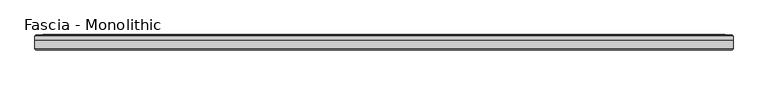
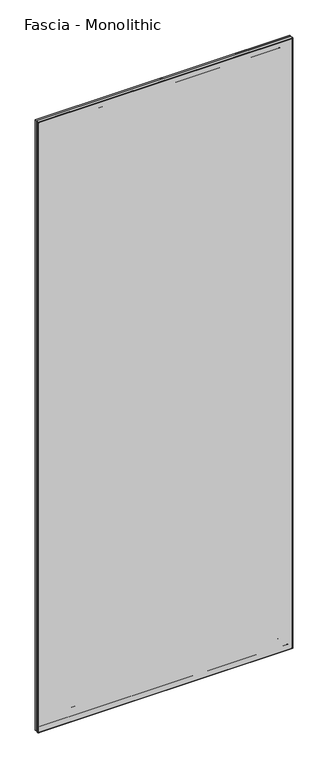
"""IFC4 building model written with IfcOpenShell, lengths in millimetres: proxy geometry, Fascia - Monolithic."""

from ifc_helpers import new_model, si_unit, frame, origin, place, context, project, spatial, ellipse_curve, source, transform, mapped, element, save
from ifc_brep_helpers import plane_surface, cylinder_surface, advanced_brep


def fascia_monolithic_453be313(model_context):
    return source(origin(), model_context, "Body", "AdvancedBrep", [
        advanced_brep(
        [(-545.3950914, 15.8650077, 46.2434077), (545.3950914, 15.8650077, 46.2434077), (545.6644991, 16.7386, 45.974), (-545.6644991, 16.7386, 45.974), (-546.5689068, 14.6911923, 45.0695923), (546.5689068, 14.6911923, 45.0695923), (-539.4823068, 15.8650077, 52.1561923), (539.4823068, 15.8650077, 52.1561923), (538.3084914, 14.6911923, 53.3300077), (-538.3084914, 14.6911923, 53.3300077), (-539.2128991, 16.7386, 52.4256), (539.2128991, 16.7386, 52.4256), (-522.9314991, 15.5956, 68.707), (522.9314991, 15.5956, 68.707), (523.6934991, 16.7386, 67.945), (-523.6934991, 16.7386, 67.945), (-510.6124991, 8.4836, 81.026), (510.6124991, 8.4836, 81.026), (510.6124991, 15.5956, 81.026), (-510.6124991, 15.5956, 81.026), (-591.6384991, 15.2146, 0.0), (591.6384991, 15.2146, 0.0), (591.6384991, 8.4836, 0.0), (-591.6384991, 8.4836, 0.0), (-590.1144991, 16.7386, 1.524), (590.1144991, 16.7386, 1.524), (-588.0670914, 15.8650077, 3.5714077), (588.0670914, 15.8650077, 3.5714077), (588.3364991, 16.7386, 3.302), (-588.3364991, 16.7386, 3.302), (-589.2409068, 14.6911923, 2.3975923), (589.2409068, 14.6911923, 2.3975923), (-582.1543068, 15.8650077, 9.4841923), (582.1543068, 15.8650077, 9.4841923), (580.9804914, 14.6911923, 10.6580077), (-580.9804914, 14.6911923, 10.6580077), (-581.8848991, 16.7386, 9.7536), (581.8848991, 16.7386, 9.7536), (-576.9953991, 16.7386, 14.6431), (576.9953991, 16.7386, 14.6431), (578.5193991, 16.7386, 13.1191), (-578.5193991, 16.7386, 13.1191), (-571.0263991, 16.7386, 20.6121), (571.0263991, 16.7386, 20.6121), (573.4393991, 16.7386, 18.1991), (-573.4393991, 16.7386, 18.1991), (545.3950914, 15.8650077, 2946.4799923), (545.6644991, 16.7386, 2946.7494), (546.5689068, 14.6911923, 2947.6538077), (539.4823068, 15.8650077, 2940.5672077), (538.3084914, 14.6911923, 2939.3933923), (539.2128991, 16.7386, 2940.2978), (522.9314991, 15.5956, 2924.0164), (523.6934991, 16.7386, 2924.7784), (510.6124991, 8.4836, 2911.6974), (510.6124991, 15.5956, 2911.6974), (591.6384991, 15.2146, 2992.7234), (591.6384991, 8.4836, 2992.7234), (590.1144991, 16.7386, 2991.1994), (588.0670914, 15.8650077, 2989.1519923), (588.3364991, 16.7386, 2989.4214), (589.2409068, 14.6911923, 2990.3258077), (582.1543068, 15.8650077, 2983.2392077), (580.9804914, 14.6911923, 2982.0653923), (581.8848991, 16.7386, 2982.9698), (576.9953991, 16.7386, 2978.0803), (578.5193991, 16.7386, 2979.6043), (571.0263991, 16.7386, 2972.1113), (573.4393991, 16.7386, 2974.5243), (-545.3950914, 15.8650077, 2946.4799923), (-545.6644991, 16.7386, 2946.7494), (-546.5689068, 14.6911923, 2947.6538077), (-539.4823068, 15.8650077, 2940.5672077), (-538.3084914, 14.6911923, 2939.3933923), (-539.2128991, 16.7386, 2940.2978), (-522.9314991, 15.5956, 2924.0164), (-523.6934991, 16.7386, 2924.7784), (-510.6124991, 8.4836, 2911.6974), (-510.6124991, 15.5956, 2911.6974), (-591.6384991, 15.2146, 2992.7234), (-591.6384991, 8.4836, 2992.7234), (-590.1144991, 16.7386, 2991.1994), (-588.0670914, 15.8650077, 2989.1519923), (-588.3364991, 16.7386, 2989.4214), (-589.2409068, 14.6911923, 2990.3258077), (-582.1543068, 15.8650077, 2983.2392077), (-580.9804914, 14.6911923, 2982.0653923), (-581.8848991, 16.7386, 2982.9698), (-576.9953991, 16.7386, 2978.0803), (-578.5193991, 16.7386, 2979.6043), (-571.0263991, 16.7386, 2972.1113), (-573.4393991, 16.7386, 2974.5243)],
        [
            (0, 1),
            (1, 2, ellipse_curve(frame((545.7606837, 16.2306, 45.8778154), z_axis=(-0.7071067811865475, 0.0, -0.7071067811865475), x_axis=(-0.7071067811865476, 0.0, 0.7071067811865474)), 0.7311846, 0.5170256)),
            (2, 3),
            (3, 0, ellipse_curve(frame((-545.7606837, 16.2306, 45.8778154), z_axis=(0.7071067811865475, 0.0, -0.7071067811865475), x_axis=(-0.7071067811865476, 0.0, -0.7071067811865474)), 0.7311846, 0.5170256)),
            (4, 5),
            (5, 1),
            (0, 4),
            (6, 7),
            (7, 8),
            (8, 9),
            (9, 6),
            (10, 11),
            (11, 7, ellipse_curve(frame((539.1167145, 16.2306, 52.5217846), z_axis=(-0.7071067811865475, 0.0, -0.7071067811865475), x_axis=(-0.7071067811865476, 0.0, 0.7071067811865474)), 0.7311846, 0.5170256)),
            (6, 10, ellipse_curve(frame((-539.1167145, 16.2306, 52.5217846), z_axis=(0.7071067811865475, 0.0, -0.7071067811865475), x_axis=(-0.7071067811865476, 0.0, -0.7071067811865474)), 0.7311846, 0.5170256)),
            (12, 13),
            (13, 14),
            (14, 15),
            (15, 12),
            (16, 17),
            (17, 18),
            (18, 19),
            (19, 16),
            (20, 21),
            (21, 22),
            (22, 23),
            (23, 20),
            (24, 25),
            (25, 21),
            (20, 24),
            (26, 27),
            (27, 28, ellipse_curve(frame((588.4326837, 16.2306, 3.2058154), z_axis=(-0.7071067811865475, 0.0, -0.7071067811865475), x_axis=(-0.7071067811865476, 0.0, 0.7071067811865474)), 0.7311846, 0.5170256)),
            (28, 29),
            (29, 26, ellipse_curve(frame((-588.4326837, 16.2306, 3.2058154), z_axis=(0.7071067811865475, 0.0, -0.7071067811865475), x_axis=(-0.7071067811865476, 0.0, -0.7071067811865474)), 0.7311846, 0.5170256)),
            (30, 31),
            (31, 27),
            (26, 30),
            (32, 33),
            (33, 34),
            (34, 35),
            (35, 32),
            (36, 37),
            (37, 33, ellipse_curve(frame((581.7887145, 16.2306, 9.8497846), z_axis=(-0.7071067811865475, 0.0, -0.7071067811865475), x_axis=(-0.7071067811865476, 0.0, 0.7071067811865474)), 0.7311846, 0.5170256)),
            (32, 36, ellipse_curve(frame((-581.7887145, 16.2306, 9.8497846), z_axis=(0.7071067811865475, 0.0, -0.7071067811865475), x_axis=(-0.7071067811865476, 0.0, -0.7071067811865474)), 0.7311846, 0.5170256)),
            (38, 39),
            (39, 40, ellipse_curve(frame((577.7573991, 16.7386, 13.8811), z_axis=(-0.7071067811865475, 0.0, -0.7071067811865475), x_axis=(-0.7071067811865476, 0.0, 0.7071067811865474)), 1.0776307, 0.762)),
            (40, 41),
            (41, 38, ellipse_curve(frame((-577.7573991, 16.7386, 13.8811), z_axis=(0.7071067811865475, 0.0, -0.7071067811865475), x_axis=(-0.7071067811865476, 0.0, -0.7071067811865474)), 1.0776307, 0.762)),
            (42, 43),
            (43, 44, ellipse_curve(frame((572.2328991, 16.0202269, 19.4056), z_axis=(-0.7071067811865475, 0.0, -0.7071067811865475), x_axis=(-0.7071067811865476, 0.0, 0.7071067811865474)), 1.9858007, 1.4041731)),
            (44, 45),
            (45, 42, ellipse_curve(frame((-572.2328991, 16.0202269, 19.4056), z_axis=(0.7071067811865475, 0.0, -0.7071067811865475), x_axis=(-0.7071067811865476, 0.0, -0.7071067811865474)), 1.9858007, 1.4041731)),
            (1, 46),
            (46, 47, ellipse_curve(frame((545.7606837, 16.2306, 2946.8455846), z_axis=(0.7071067811865475, 0.0, -0.7071067811865475), x_axis=(-0.7071067811865474, 0.0, -0.7071067811865476)), 0.7311846, 0.5170256)),
            (47, 2),
            (5, 48),
            (48, 46),
            (7, 49),
            (49, 50),
            (50, 8),
            (11, 51),
            (51, 49, ellipse_curve(frame((539.1167145, 16.2306, 2940.2016154), z_axis=(0.7071067811865475, 0.0, -0.7071067811865475), x_axis=(-0.7071067811865474, 0.0, -0.7071067811865476)), 0.7311846, 0.5170256)),
            (13, 52),
            (52, 53),
            (53, 14),
            (17, 54),
            (54, 55),
            (55, 18),
            (21, 56),
            (56, 57),
            (57, 22),
            (25, 58),
            (58, 56),
            (27, 59),
            (59, 60, ellipse_curve(frame((588.4326837, 16.2306, 2989.5175846), z_axis=(0.7071067811865475, 0.0, -0.7071067811865475), x_axis=(-0.7071067811865474, 0.0, -0.7071067811865476)), 0.7311846, 0.5170256)),
            (60, 28),
            (31, 61),
            (61, 59),
            (33, 62),
            (62, 63),
            (63, 34),
            (37, 64),
            (64, 62, ellipse_curve(frame((581.7887145, 16.2306, 2982.8736154), z_axis=(0.7071067811865475, 0.0, -0.7071067811865475), x_axis=(-0.7071067811865474, 0.0, -0.7071067811865476)), 0.7311846, 0.5170256)),
            (39, 65),
            (65, 66, ellipse_curve(frame((577.7573991, 16.7386, 2978.8423), z_axis=(0.7071067811865475, 0.0, -0.7071067811865475), x_axis=(-0.7071067811865474, 0.0, -0.7071067811865476)), 1.0776307, 0.762)),
            (66, 40),
            (43, 67),
            (67, 68, ellipse_curve(frame((572.2328991, 16.0202269, 2973.3178), z_axis=(0.7071067811865475, 0.0, -0.7071067811865475), x_axis=(-0.7071067811865474, 0.0, -0.7071067811865476)), 1.9858007, 1.4041731)),
            (68, 44),
            (46, 69),
            (69, 70, ellipse_curve(frame((-545.7606837, 16.2306, 2946.8455846), z_axis=(0.7071067811865475, 0.0, 0.7071067811865475), x_axis=(0.7071067811865476, 0.0, -0.7071067811865474)), 0.7311846, 0.5170256)),
            (70, 47),
            (48, 71),
            (71, 69),
            (49, 72),
            (72, 73),
            (73, 50),
            (51, 74),
            (74, 72, ellipse_curve(frame((-539.1167145, 16.2306, 2940.2016154), z_axis=(0.7071067811865475, 0.0, 0.7071067811865475), x_axis=(0.7071067811865476, 0.0, -0.7071067811865474)), 0.7311846, 0.5170256)),
            (52, 75),
            (75, 76),
            (76, 53),
            (54, 77),
            (77, 78),
            (78, 55),
            (56, 79),
            (79, 80),
            (80, 57),
            (58, 81),
            (81, 79),
            (59, 82),
            (82, 83, ellipse_curve(frame((-588.4326837, 16.2306, 2989.5175846), z_axis=(0.7071067811865475, 0.0, 0.7071067811865475), x_axis=(0.7071067811865476, 0.0, -0.7071067811865474)), 0.7311846, 0.5170256)),
            (83, 60),
            (61, 84),
            (84, 82),
            (62, 85),
            (85, 86),
            (86, 63),
            (64, 87),
            (87, 85, ellipse_curve(frame((-581.7887145, 16.2306, 2982.8736154), z_axis=(0.7071067811865475, 0.0, 0.7071067811865475), x_axis=(0.7071067811865476, 0.0, -0.7071067811865474)), 0.7311846, 0.5170256)),
            (65, 88),
            (88, 89, ellipse_curve(frame((-577.7573991, 16.7386, 2978.8423), z_axis=(0.7071067811865475, 0.0, 0.7071067811865475), x_axis=(0.7071067811865476, 0.0, -0.7071067811865474)), 1.0776307, 0.762)),
            (89, 66),
            (67, 90),
            (90, 91, ellipse_curve(frame((-572.2328991, 16.0202269, 2973.3178), z_axis=(0.7071067811865475, 0.0, 0.7071067811865475), x_axis=(0.7071067811865476, 0.0, -0.7071067811865474)), 1.9858007, 1.4041731)),
            (91, 68),
            (42, 90),
            (70, 3),
            (69, 0),
            (71, 4),
            (73, 9),
            (72, 6),
            (74, 10),
            (76, 15),
            (75, 12),
            (78, 19),
            (77, 16),
            (80, 23),
            (79, 20),
            (81, 24),
            (83, 29),
            (82, 26),
            (84, 30),
            (86, 35),
            (85, 32),
            (87, 36),
            (89, 41),
            (88, 38),
            (91, 45),
        ],
        [
            cylinder_surface(frame((-591.6384991, 16.2306, 45.8778154), z_axis=(-1.0, 0.0, 0.0), x_axis=(0.0, 0.0, 1.0)), 0.5170256),
            plane_surface(frame((-545.3950914, 15.8650077, 46.2434077), z_axis=(0.0, -0.7071067813016592, 0.7071067810714359), x_axis=(1.0, 0.0, 0.0))),
            plane_surface(frame((-538.3084914, 14.6911923, 53.3300077), z_axis=(0.0, -0.7071067813016237, -0.7071067810714713), x_axis=(1.0, 0.0, 0.0))),
            cylinder_surface(frame((-591.6384991, 16.2306, 52.5217846), z_axis=(-1.0, 0.0, 0.0), x_axis=(0.0, 0.0, 1.0)), 0.5170256),
            plane_surface(frame((-523.6934991, 16.7386, 67.945), z_axis=(0.0, 0.554700195976685, 0.8320502945035398), x_axis=(1.0, 0.0, 0.0))),
            plane_surface(frame((-510.6124991, 15.5956, 81.026), z_axis=(0.0, 0.0, 1.0), x_axis=(1.0, 0.0, 0.0))),
            plane_surface(frame((-591.6384991, 8.4836, 0.0), z_axis=(0.0, 0.0, -1.0), x_axis=(1.0, 0.0, 0.0))),
            plane_surface(frame((-591.6384991, 15.2146, 0.0), z_axis=(0.0, 0.7071067811865392, -0.7071067811865558), x_axis=(1.0, 0.0, 0.0))),
            cylinder_surface(frame((-591.6384991, 16.2306, 3.2058154), z_axis=(-1.0, 0.0, 0.0), x_axis=(0.0, 0.0, 1.0)), 0.5170256),
            plane_surface(frame((-588.0670914, 15.8650077, 3.5714077), z_axis=(0.0, -0.707106781113895, 0.7071067812592001), x_axis=(1.0, 0.0, 0.0))),
            plane_surface(frame((-580.9804914, 14.6911923, 10.6580077), z_axis=(0.0, -0.7071067811880475, -0.7071067811850476), x_axis=(1.0, 0.0, 0.0))),
            cylinder_surface(frame((-591.6384991, 16.2306, 9.8497846), z_axis=(-1.0, 0.0, 0.0), x_axis=(0.0, 0.0, 1.0)), 0.5170256),
            cylinder_surface(frame((-591.6384991, 16.7386, 13.8811), z_axis=(-1.0, 0.0, 0.0), x_axis=(0.0, 0.0, 1.0)), 0.762),
            cylinder_surface(frame((-591.6384991, 16.0202269, 19.4056), z_axis=(-1.0, 0.0, 0.0), x_axis=(0.0, 0.0, 1.0)), 1.4041731),
            cylinder_surface(frame((545.7606837, 16.2306, 0.0), z_axis=(0.0, 0.0, -1.0), x_axis=(-1.0, 0.0, 0.0)), 0.5170256),
            plane_surface(frame((545.3950914, 15.8650077, 46.2434077), z_axis=(-0.7071067810714261, -0.7071067813016689, 0.0), x_axis=(0.0, 0.0, 1.0))),
            plane_surface(frame((538.3084914, 14.6911923, 53.3300077), z_axis=(0.7071067810714811, -0.707106781301614, 0.0), x_axis=(0.0, 0.0, 1.0))),
            cylinder_surface(frame((539.1167145, 16.2306, 0.0), z_axis=(0.0, 0.0, -1.0), x_axis=(-1.0, 0.0, 0.0)), 0.5170256),
            plane_surface(frame((523.6934991, 16.7386, 67.945), z_axis=(-0.8320502945035475, 0.5547001959766734, 0.0), x_axis=(0.0, 0.0, 1.0))),
            plane_surface(frame((510.6124991, 15.5956, 81.026), z_axis=(-1.0, 0.0, 0.0), x_axis=(0.0, 0.0, 1.0))),
            plane_surface(frame((591.6384991, 8.4836, 0.0), z_axis=(1.0, 0.0, 0.0), x_axis=(0.0, 0.0, 1.0))),
            plane_surface(frame((591.6384991, 15.2146, 0.0), z_axis=(0.707106781186546, 0.707106781186549, 0.0), x_axis=(0.0, 0.0, 1.0))),
            cylinder_surface(frame((588.4326837, 16.2306, 0.0), z_axis=(0.0, 0.0, -1.0), x_axis=(-1.0, 0.0, 0.0)), 0.5170256),
            plane_surface(frame((588.0670914, 15.8650077, 3.5714077), z_axis=(-0.7071067812591904, -0.7071067811139048, 0.0), x_axis=(0.0, 0.0, 1.0))),
            plane_surface(frame((580.9804914, 14.6911923, 10.6580077), z_axis=(0.7071067811850573, -0.7071067811880377, 0.0), x_axis=(0.0, 0.0, 1.0))),
            cylinder_surface(frame((581.7887145, 16.2306, 0.0), z_axis=(0.0, 0.0, -1.0), x_axis=(-1.0, 0.0, 0.0)), 0.5170256),
            cylinder_surface(frame((577.7573991, 16.7386, 0.0), z_axis=(0.0, 0.0, -1.0), x_axis=(-1.0, 0.0, 0.0)), 0.762),
            cylinder_surface(frame((572.2328991, 16.0202269, 0.0), z_axis=(0.0, 0.0, -1.0), x_axis=(-1.0, 0.0, 0.0)), 1.4041731),
            cylinder_surface(frame((591.6384991, 16.2306, 2946.8455846), z_axis=(1.0, 0.0, 0.0), x_axis=(0.0, 0.0, -1.0)), 0.5170256),
            plane_surface(frame((545.3950914, 15.8650077, 2946.4799923), z_axis=(0.0, -0.7071067813016787, -0.7071067810714163), x_axis=(-1.0, 0.0, 0.0))),
            plane_surface(frame((538.3084914, 14.6911923, 2939.3933923), z_axis=(0.0, -0.7071067813016042, 0.7071067810714908), x_axis=(-1.0, 0.0, 0.0))),
            cylinder_surface(frame((591.6384991, 16.2306, 2940.2016154), z_axis=(1.0, 0.0, 0.0), x_axis=(0.0, 0.0, -1.0)), 0.5170256),
            plane_surface(frame((523.6934991, 16.7386, 2924.7784), z_axis=(0.0, 0.5547001959766619, -0.8320502945035552), x_axis=(-1.0, 0.0, 0.0))),
            plane_surface(frame((510.6124991, 15.5956, 2911.6974), z_axis=(0.0, 0.0, -1.0), x_axis=(-1.0, 0.0, 0.0))),
            plane_surface(frame((591.6384991, 8.4836, 2992.7234), z_axis=(0.0, 0.0, 1.0), x_axis=(-1.0, 0.0, 0.0))),
            plane_surface(frame((591.6384991, 15.2146, 2992.7234), z_axis=(0.0, 0.7071067811865588, 0.7071067811865362), x_axis=(-1.0, 0.0, 0.0))),
            cylinder_surface(frame((591.6384991, 16.2306, 2989.5175846), z_axis=(1.0, 0.0, 0.0), x_axis=(0.0, 0.0, -1.0)), 0.5170256),
            plane_surface(frame((588.0670914, 15.8650077, 2989.1519923), z_axis=(0.0, -0.7071067811139146, -0.7071067812591806), x_axis=(-1.0, 0.0, 0.0))),
            plane_surface(frame((580.9804914, 14.6911923, 2982.0653923), z_axis=(0.0, -0.7071067811880279, 0.7071067811850671), x_axis=(-1.0, 0.0, 0.0))),
            cylinder_surface(frame((591.6384991, 16.2306, 2982.8736154), z_axis=(1.0, 0.0, 0.0), x_axis=(0.0, 0.0, -1.0)), 0.5170256),
            cylinder_surface(frame((591.6384991, 16.7386, 2978.8423), z_axis=(1.0, 0.0, 0.0), x_axis=(0.0, 0.0, -1.0)), 0.762),
            cylinder_surface(frame((591.6384991, 16.0202269, 2973.3178), z_axis=(1.0, 0.0, 0.0), x_axis=(0.0, 0.0, -1.0)), 1.4041731),
            plane_surface(frame((-571.0263991, 16.7386, 2972.1113), z_axis=(0.0, 1.0, 0.0), x_axis=(0.0, 0.0, -1.0))),
            cylinder_surface(frame((-545.7606837, 16.2306, 2992.7234), z_axis=(0.0, 0.0, 1.0), x_axis=(1.0, 0.0, 0.0)), 0.5170256),
            plane_surface(frame((-545.3950914, 15.8650077, 2946.4799923), z_axis=(0.7071067810714261, -0.7071067813016689, 0.0), x_axis=(0.0, 0.0, -1.0))),
            plane_surface(frame((-546.5689068, 14.6911923, 2947.6538077), z_axis=(0.0, 1.0, 0.0), x_axis=(0.0, 0.0, -1.0))),
            plane_surface(frame((-538.3084914, 14.6911923, 2939.3933923), z_axis=(-0.7071067810714811, -0.707106781301614, 0.0), x_axis=(0.0, 0.0, -1.0))),
            cylinder_surface(frame((-539.1167145, 16.2306, 2992.7234), z_axis=(0.0, 0.0, 1.0), x_axis=(1.0, 0.0, 0.0)), 0.5170256),
            plane_surface(frame((-539.2128991, 16.7386, 2940.2978), z_axis=(0.0, 1.0, 0.0), x_axis=(0.0, 0.0, -1.0))),
            plane_surface(frame((-523.6934991, 16.7386, 2924.7784), z_axis=(0.8320502945035475, 0.5547001959766734, 0.0), x_axis=(0.0, 0.0, -1.0))),
            plane_surface(frame((-522.9314991, 15.5956, 2924.0164), z_axis=(0.0, 1.0, 0.0), x_axis=(0.0, 0.0, -1.0))),
            plane_surface(frame((-510.6124991, 15.5956, 2911.6974), z_axis=(1.0, 0.0, 0.0), x_axis=(0.0, 0.0, -1.0))),
            plane_surface(frame((-510.6124991, 8.4836, 2911.6974), z_axis=(0.0, -1.0, 0.0), x_axis=(0.0, 0.0, -1.0))),
            plane_surface(frame((-591.6384991, 8.4836, 2992.7234), z_axis=(-1.0, 0.0, 0.0), x_axis=(0.0, 0.0, -1.0))),
            plane_surface(frame((-591.6384991, 15.2146, 2992.7234), z_axis=(-0.707106781186546, 0.707106781186549, 0.0), x_axis=(0.0, 0.0, -1.0))),
            plane_surface(frame((-590.1144991, 16.7386, 2991.1994), z_axis=(0.0, 1.0, 0.0), x_axis=(0.0, 0.0, -1.0))),
            cylinder_surface(frame((-588.4326837, 16.2306, 2992.7234), z_axis=(0.0, 0.0, 1.0), x_axis=(1.0, 0.0, 0.0)), 0.5170256),
            plane_surface(frame((-588.0670914, 15.8650077, 2989.1519923), z_axis=(0.7071067812591904, -0.7071067811139048, 0.0), x_axis=(0.0, 0.0, -1.0))),
            plane_surface(frame((-589.2409068, 14.6911923, 2990.3258077), z_axis=(0.0, 1.0, 0.0), x_axis=(0.0, 0.0, -1.0))),
            plane_surface(frame((-580.9804914, 14.6911923, 2982.0653923), z_axis=(-0.7071067811850573, -0.7071067811880377, 0.0), x_axis=(0.0, 0.0, -1.0))),
            cylinder_surface(frame((-581.7887145, 16.2306, 2992.7234), z_axis=(0.0, 0.0, 1.0), x_axis=(1.0, 0.0, 0.0)), 0.5170256),
            plane_surface(frame((-581.8848991, 16.7386, 2982.9698), z_axis=(0.0, 1.0, 0.0), x_axis=(0.0, 0.0, -1.0))),
            cylinder_surface(frame((-577.7573991, 16.7386, 2992.7234), z_axis=(0.0, 0.0, 1.0), x_axis=(1.0, 0.0, 0.0)), 0.762),
            plane_surface(frame((-576.9953991, 16.7386, 2978.0803), z_axis=(0.0, 1.0, 0.0), x_axis=(0.0, 0.0, -1.0))),
            cylinder_surface(frame((-572.2328991, 16.0202269, 2992.7234), z_axis=(0.0, 0.0, 1.0), x_axis=(1.0, 0.0, 0.0)), 1.4041731),
        ],
        [
            (0, [[1, 2, 3, 4]]),
            (1, [[5, 6, -1, 7]]),
            (2, [[8, 9, 10, 11]]),
            (3, [[12, 13, -8, 14]]),
            (4, [[15, 16, 17, 18]]),
            (5, [[19, 20, 21, 22]]),
            (6, [[23, 24, 25, 26]]),
            (7, [[27, 28, -23, 29]]),
            (8, [[30, 31, 32, 33]]),
            (9, [[34, 35, -30, 36]]),
            (10, [[37, 38, 39, 40]]),
            (11, [[41, 42, -37, 43]]),
            (12, [[44, 45, 46, 47]]),
            (13, [[48, 49, 50, 51]]),
            (14, [[52, 53, 54, -2]]),
            (15, [[55, 56, -52, -6]]),
            (16, [[57, 58, 59, -9]]),
            (17, [[60, 61, -57, -13]]),
            (18, [[62, 63, 64, -16]]),
            (19, [[65, 66, 67, -20]]),
            (20, [[68, 69, 70, -24]]),
            (21, [[71, 72, -68, -28]]),
            (22, [[73, 74, 75, -31]]),
            (23, [[76, 77, -73, -35]]),
            (24, [[78, 79, 80, -38]]),
            (25, [[81, 82, -78, -42]]),
            (26, [[83, 84, 85, -45]]),
            (27, [[86, 87, 88, -49]]),
            (28, [[89, 90, 91, -53]]),
            (29, [[92, 93, -89, -56]]),
            (30, [[94, 95, 96, -58]]),
            (31, [[97, 98, -94, -61]]),
            (32, [[99, 100, 101, -63]]),
            (33, [[102, 103, 104, -66]]),
            (34, [[105, 106, 107, -69]]),
            (35, [[108, 109, -105, -72]]),
            (36, [[110, 111, 112, -74]]),
            (37, [[113, 114, -110, -77]]),
            (38, [[115, 116, 117, -79]]),
            (39, [[118, 119, -115, -82]]),
            (40, [[120, 121, 122, -84]]),
            (41, [[123, 124, 125, -87]]),
            (42, [[-48, 126, -123, -86], [-3, -54, -91, 127]]),
            (43, [[128, -4, -127, -90]]),
            (44, [[129, -7, -128, -93]]),
            (45, [[-5, -129, -92, -55], [-10, -59, -96, 130]]),
            (46, [[131, -11, -130, -95]]),
            (47, [[132, -14, -131, -98]]),
            (48, [[-12, -132, -97, -60], [-17, -64, -101, 133]]),
            (49, [[134, -18, -133, -100]]),
            (50, [[-15, -134, -99, -62], [-21, -67, -104, 135]]),
            (51, [[136, -22, -135, -103]]),
            (52, [[-25, -70, -107, 137], [-19, -136, -102, -65]]),
            (53, [[138, -26, -137, -106]]),
            (54, [[139, -29, -138, -109]]),
            (55, [[-27, -139, -108, -71], [-32, -75, -112, 140]]),
            (56, [[141, -33, -140, -111]]),
            (57, [[142, -36, -141, -114]]),
            (58, [[-34, -142, -113, -76], [-39, -80, -117, 143]]),
            (59, [[144, -40, -143, -116]]),
            (60, [[145, -43, -144, -119]]),
            (61, [[-41, -145, -118, -81], [-46, -85, -122, 146]]),
            (62, [[147, -47, -146, -121]]),
            (63, [[-44, -147, -120, -83], [-50, -88, -125, 148]]),
            (64, [[-126, -51, -148, -124]]),
        ],
    ),
        advanced_brep(
        [(-591.6384991, 8.4836, 2992.7234), (-591.6384991, -6.1862895, 2992.7234), (591.6384991, -6.1862895, 2992.7234), (591.6384991, 8.4836, 2992.7234), (591.6384991, 8.4836, 0.0), (591.6384991, -6.1862895, 0.0), (-591.6384991, -6.1862895, 0.0), (-591.6384991, 8.4836, 0.0), (589.3411886, -8.4836, 2.2973105), (589.3411886, -8.4836, 2990.4260895), (-589.3411886, -8.4836, 2990.4260895), (-589.3411886, -8.4836, 2.2973105)],
        [
            (0, 1),
            (1, 2),
            (2, 3),
            (3, 0),
            (4, 5),
            (5, 6),
            (6, 7),
            (7, 4),
            (8, 9),
            (9, 10),
            (10, 11),
            (11, 8),
            (6, 1),
            (0, 7),
            (3, 4),
            (2, 5),
            (11, 6, ellipse_curve(frame((-589.3411886, -6.1862895, 2.2973105), z_axis=(0.7071067811865475, 0.0, -0.7071067811865475), x_axis=(0.7071067811865476, 0.0, 0.7071067811865474)), 3.2488876, 2.2973105)),
            (5, 8, ellipse_curve(frame((589.3411886, -6.1862895, 2.2973105), z_axis=(-0.7071067811865475, 0.0, -0.7071067811865475), x_axis=(0.7071067811865476, 0.0, -0.7071067811865474)), 3.2488876, 2.2973105)),
            (2, 9, ellipse_curve(frame((589.3411886, -6.1862895, 2990.4260895), z_axis=(0.7071067811865475, 0.0, -0.7071067811865475), x_axis=(0.7071067811865474, 0.0, 0.7071067811865476)), 3.2488876, 2.2973105)),
            (1, 10, ellipse_curve(frame((-589.3411886, -6.1862895, 2990.4260895), z_axis=(0.7071067811865475, 0.0, 0.7071067811865475), x_axis=(-0.7071067811865476, 0.0, 0.7071067811865474)), 3.2488876, 2.2973105)),
        ],
        [
            plane_surface(frame((0.0, -198.5529455, 2992.7234), z_axis=(0.0, 0.0, 1.0), x_axis=(0.0, 1.0, 0.0))),
            plane_surface(frame((0.0, -198.5529455, 0.0), z_axis=(0.0, 0.0, -1.0), x_axis=(0.0, 1.0, 0.0))),
            plane_surface(frame((591.6384991, -8.4836, 2992.7234), z_axis=(0.0, -1.0, 0.0), x_axis=(0.0, 0.0, -1.0))),
            plane_surface(frame((-591.6384991, -8.4836, 2992.7234), z_axis=(-1.0, 0.0, 0.0), x_axis=(0.0, 0.0, -1.0))),
            plane_surface(frame((-591.6384991, 8.4836, 2992.7234), z_axis=(0.0, 1.0, 0.0), x_axis=(0.0, 0.0, -1.0))),
            plane_surface(frame((591.6384991, 8.4836, 2992.7234), z_axis=(1.0, 0.0, 0.0), x_axis=(0.0, 0.0, -1.0))),
            cylinder_surface(frame((-591.6384991, -6.1862895, 2.2973105), z_axis=(1.0, 0.0, 0.0), x_axis=(0.0, 1.0, 0.0)), 2.2973105),
            cylinder_surface(frame((589.3411886, -6.1862895, 0.0), z_axis=(0.0, 0.0, 1.0), x_axis=(0.0, 1.0, 0.0)), 2.2973105),
            cylinder_surface(frame((591.6384991, -6.1862895, 2990.4260895), z_axis=(-1.0, 0.0, 0.0), x_axis=(0.0, 1.0, 0.0)), 2.2973105),
            cylinder_surface(frame((-589.3411886, -6.1862895, 2992.7234), z_axis=(0.0, 0.0, -1.0), x_axis=(0.0, 1.0, 0.0)), 2.2973105),
        ],
        [
            (0, [[1, 2, 3, 4]]),
            (1, [[5, 6, 7, 8]]),
            (2, [[9, 10, 11, 12]]),
            (3, [[-7, 13, -1, 14]]),
            (4, [[15, -8, -14, -4]]),
            (5, [[-3, 16, -5, -15]]),
            (6, [[-12, 17, -6, 18]]),
            (7, [[-16, 19, -9, -18]]),
            (8, [[-2, 20, -10, -19]]),
            (9, [[-11, -20, -13, -17]]),
        ],
    ),
    ])


if __name__ == "__main__":
    model = new_model("IFC4")
    model_context = context("Model", 3, world=origin())
    ifc_project = project(units=[si_unit("LENGTHUNIT", "METRE", prefix="MILLI")], contexts=[model_context])
    site = spatial("IfcSite", under=ifc_project)
    building = spatial("IfcBuilding", under=site)
    placement = place(None, origin())
    fascia_monolithic_shape = fascia_monolithic_453be313(model_context)
    element("IfcBuildingElementProxy", 1, Name="Fascia - Monolithic", ObjectType="Fascia - Monolithic", at=placement, inside=building, context=model_context, shape_type="MappedRepresentation", body=[
        mapped(fascia_monolithic_shape, transform((0.0, 0.0, 0.0), x_axis=(1.0, 0.0, 0.0), y_axis=(0.0, 1.0, 0.0), z_axis=(0.0, 0.0, 1.0))),
    ])
    save(model, "model.ifc")
